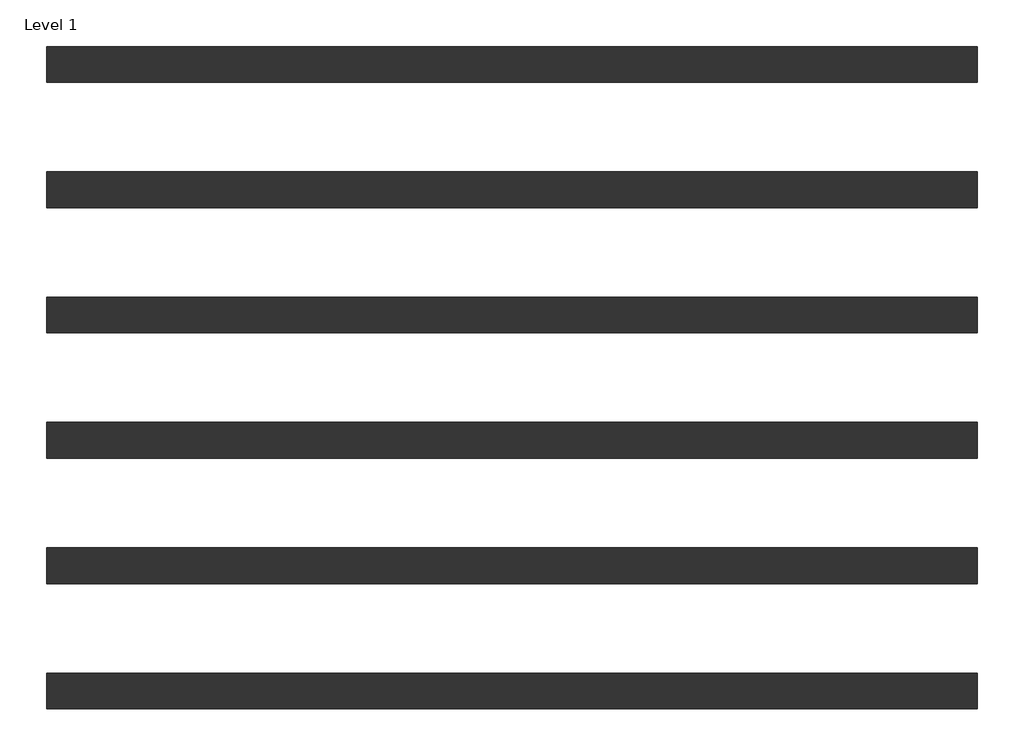
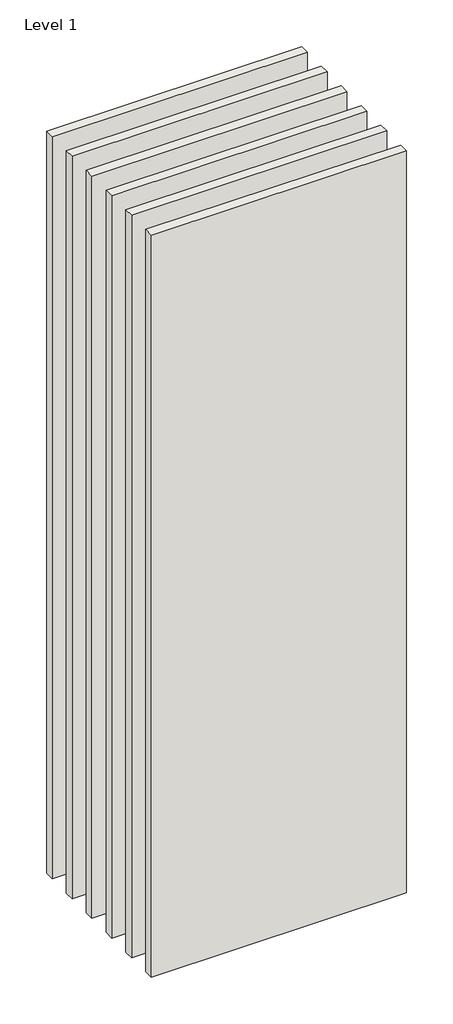
# One storey: 6 walls.
"""IFC4 building model written with IfcOpenShell, lengths in millimetres."""

from ifc_helpers import new_model, si_unit, origin, origin_with_axes, place, context, project, spatial, polyline, outline, extrude, element, save

model = new_model("IFC4")

# Units and contexts
model_context = context("Model", 3, world=origin())
ifc_project = project(units=[si_unit("LENGTHUNIT", "METRE", prefix="MILLI")], contexts=[model_context])

# Site, building, storey
site = spatial("IfcSite", under=ifc_project)
building = spatial("IfcBuilding", under=site)
storey = spatial("IfcBuildingStorey", under=building, Name="Level 1", Elevation=0.0)

# Walls
placement = place(None, origin())
element("IfcWall", 1, at=placement, inside=storey, context=model_context, shape_type="SweptSolid", body=[
    extrude(outline(polyline([(-16904.1464237, 4736.4042935), (-19504.1464237, 4736.4042935), (-19504.1464237, 4836.4042935), (-16904.1464237, 4836.4042935), (-16904.1464237, 4736.4042935)])), origin_with_axes(), (0.0, 0.0, 1.0), 8000.0),
])
element("IfcWall", 2, at=placement, inside=storey, context=model_context, shape_type="SweptSolid", body=[
    extrude(outline(polyline([(-16904.1464237, 5436.4042935), (-19504.1464237, 5436.4042935), (-19504.1464237, 5536.4042935), (-16904.1464237, 5536.4042935), (-16904.1464237, 5436.4042935)])), origin_with_axes(), (0.0, 0.0, 1.0), 8000.0),
])
element("IfcWall", 3, at=placement, inside=storey, context=model_context, shape_type="SweptSolid", body=[
    extrude(outline(polyline([(-16904.1464237, 4386.4042935), (-19504.1464237, 4386.4042935), (-19504.1464237, 4486.4042935), (-16904.1464237, 4486.4042935), (-16904.1464237, 4386.4042935)])), origin_with_axes(), (0.0, 0.0, 1.0), 8000.0),
])
element("IfcWall", 4, at=placement, inside=storey, context=model_context, shape_type="SweptSolid", body=[
    extrude(outline(polyline([(-16904.1464237, 4036.4042935), (-19504.1464237, 4036.4042935), (-19504.1464237, 4136.4042935), (-16904.1464237, 4136.4042935), (-16904.1464237, 4036.4042935)])), origin_with_axes(), (0.0, 0.0, 1.0), 8000.0),
])
element("IfcWall", 5, at=placement, inside=storey, context=model_context, shape_type="SweptSolid", body=[
    extrude(outline(polyline([(-16904.1464237, 5786.4042935), (-19504.1464237, 5786.4042935), (-19504.1464237, 5886.4042935), (-16904.1464237, 5886.4042935), (-16904.1464237, 5786.4042935)])), origin_with_axes(), (0.0, 0.0, 1.0), 8000.0),
])
element("IfcWall", 6, at=placement, inside=storey, context=model_context, shape_type="SweptSolid", body=[
    extrude(outline(polyline([(-16904.1464237, 5086.4042935), (-19504.1464237, 5086.4042935), (-19504.1464237, 5186.4042935), (-16904.1464237, 5186.4042935), (-16904.1464237, 5086.4042935)])), origin_with_axes(), (0.0, 0.0, 1.0), 8000.0),
])

save(model, "model.ifc")
